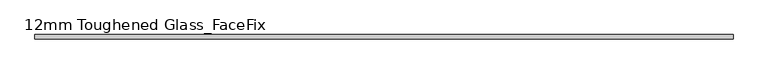
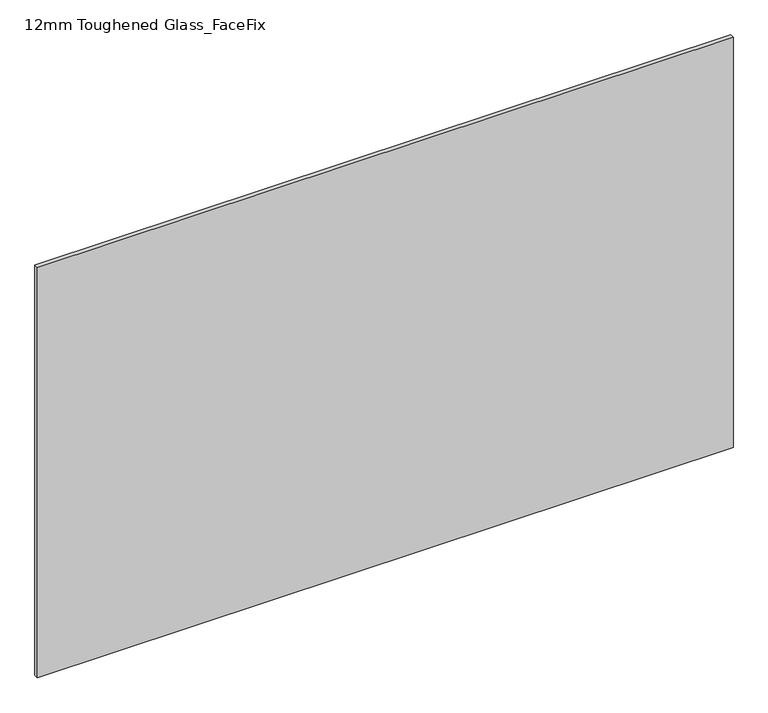
"""IFC4 building model written with IfcOpenShell, lengths in millimetres: plate geometry, 12mm Toughened Glass_FaceFix."""

from ifc_helpers import new_model, si_unit, origin, origin_with_axes, place, context, project, spatial, polyline, outline, extrude, source, transform, mapped, element, save


def plate_12mm_toughened_glass_facefix_d787389d(model_context):
    return source(origin(), model_context, "Body", "SweptSolid", [
        extrude(outline(polyline([(945.0000001, -26.0), (945.0000001, -38.0), (-945.0000001, -38.0), (-945.0000001, -26.0), (945.0000001, -26.0)])), origin_with_axes(), (0.0, 0.0, 1.0), 1179.0),
    ])


if __name__ == "__main__":
    model = new_model("IFC4")
    model_context = context("Model", 3, world=origin())
    ifc_project = project(units=[si_unit("LENGTHUNIT", "METRE", prefix="MILLI")], contexts=[model_context])
    site = spatial("IfcSite", under=ifc_project)
    building = spatial("IfcBuilding", under=site)
    placement = place(None, origin())
    plate_12mm_toughened_glass_facefix_shape = plate_12mm_toughened_glass_facefix_d787389d(model_context)
    element("IfcPlate", 1, ObjectType="12mm Toughened Glass_FaceFix", at=placement, inside=building, context=model_context, shape_type="MappedRepresentation", body=[
        mapped(plate_12mm_toughened_glass_facefix_shape, transform((0.0, 0.0, 0.0), x_axis=(1.0, 0.0, 0.0), y_axis=(0.0, 1.0, 0.0), z_axis=(0.0, 0.0, 1.0))),
    ])
    save(model, "model.ifc")
